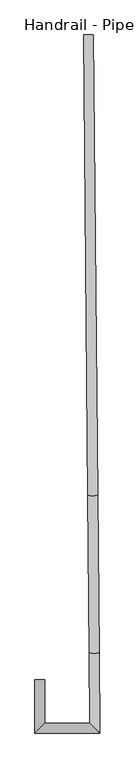
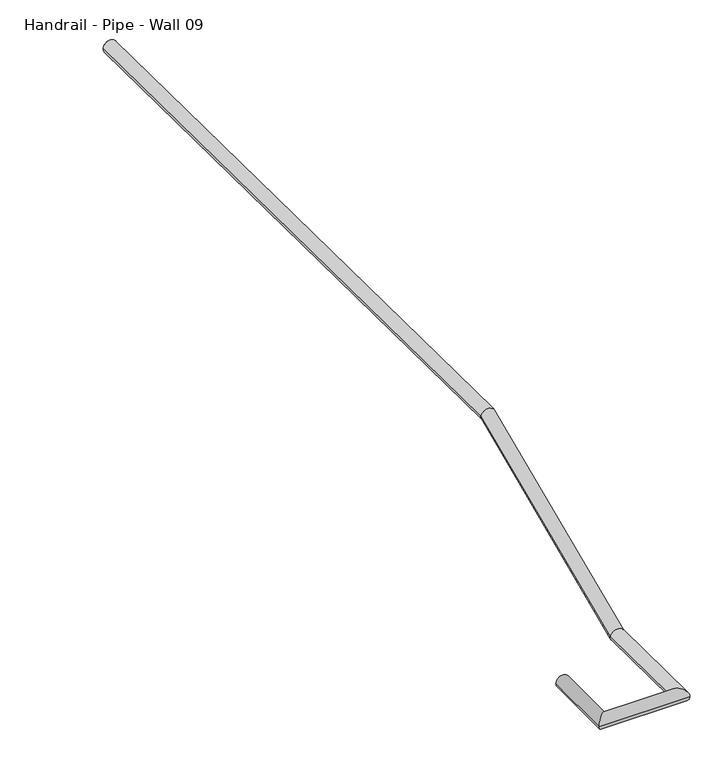
"""IFC4 building model written with IfcOpenShell, lengths in millimetres: railing geometry, Handrail - Pipe - Wall 09."""

from ifc_helpers import new_model, si_unit, frame, origin, place, context, project, spatial, circle_curve, ellipse_curve, source, transform, mapped, element, save
from ifc_brep_helpers import plane_surface, cylinder_surface, advanced_brep


def handrail_pipe_wall_09_4ad49a71(model_context):
    return source(origin(), model_context, "Body", "AdvancedBrep", [
        advanced_brep(
        [(-19379.9877123, 33275.9492063, -10331.45), (-19341.8877123, 33314.0492063, -10331.45), (-19164.8711701, 33314.0492063, -10331.45), (-19126.4253404, 33275.9492063, -10331.45), (-19341.8877123, 33485.4992063, -10331.45), (-19379.9877123, 33485.4992063, -10331.45), (-19167.3727526, 33590.8932994, -10331.45), (-19129.2743079, 33591.2375596, -10331.45), (-19172.9382925, 34206.8181546, -10052.05), (-19134.8398479, 34207.1624148, -10052.05), (-19189.197275, 36006.1604632, -10052.05), (-19151.0988303, 36006.5047234, -10052.05)],
        [
            (0, 1, ellipse_curve(frame((-19360.9377123, 33294.9992063, -10331.45), z_axis=(0.7071067811865475, -0.7071067811865475, 0.0), x_axis=(-0.7071067811865476, -0.7071067811865474, 0.0)), 26.9407684, 19.05)),
            (1, 2),
            (2, 3, ellipse_curve(frame((-19145.6482552, 33294.9992063, -10331.45), z_axis=(-0.7039049293732222, -0.710294199894719, 0.0), x_axis=(-0.710294199894719, 0.7039049293732222, 0.0)), 27.0633138, 19.05)),
            (3, 0),
            (1, 0, ellipse_curve(frame((-19360.9377123, 33294.9992063, -10331.45), z_axis=(0.7071067811865475, -0.7071067811865475, 0.0), x_axis=(-0.7071067811865476, -0.7071067811865474, 0.0)), 26.9407684, 19.05)),
            (3, 2, ellipse_curve(frame((-19145.6482552, 33294.9992063, -10331.45), z_axis=(-0.7039049293732222, -0.710294199894719, 0.0), x_axis=(-0.710294199894719, 0.7039049293732222, 0.0)), 27.0633138, 19.05)),
            (4, 5, circle_curve(frame((-19360.9377123, 33485.4992063, -10331.45), z_axis=(0.0, 1.0, 0.0), x_axis=(-1.0, 0.0, 0.0)), 19.05)),
            (5, 4, circle_curve(frame((-19360.9377123, 33485.4992063, -10331.45), z_axis=(0.0, 1.0, 0.0), x_axis=(-1.0, 0.0, 0.0)), 19.05)),
            (4, 1),
            (0, 5),
            (2, 6),
            (6, 7, ellipse_curve(frame((-19148.3235303, 33591.0654295, -10331.45), z_axis=(0.008831646985136221, -0.9773770336441583, -0.21131998513267974), x_axis=(0.0019094241604417758, -0.21131135846388224, 0.977416934518491)), 19.4901473, 19.05)),
            (7, 3),
            (7, 6, ellipse_curve(frame((-19148.3235303, 33591.0654295, -10331.45), z_axis=(0.008831646985136221, -0.9773770336441583, -0.21131998513267974), x_axis=(0.0019094241604417758, -0.21131135846388224, 0.977416934518491)), 19.4901473, 19.05)),
            (6, 8),
            (8, 9, ellipse_curve(frame((-19153.8890702, 34206.9902847, -10052.05), z_axis=(0.008831646985135883, -0.9773770336441582, -0.21131998513267963), x_axis=(-0.0019094241604402076, 0.21131135846388222, -0.977416934518491)), 19.4901473, 19.05)),
            (9, 7),
            (9, 8, ellipse_curve(frame((-19153.8890702, 34206.9902847, -10052.05), z_axis=(0.008831646985135883, -0.9773770336441582, -0.21131998513267963), x_axis=(-0.0019094241604402076, 0.21131135846388222, -0.977416934518491)), 19.4901473, 19.05)),
            (10, 11, circle_curve(frame((-19170.1480527, 36006.3325933, -10052.05), z_axis=(-0.009035700808157195, 0.9999591772222033, 0.0), x_axis=(0.9999591772222033, 0.009035700808157195, 0.0)), 19.05)),
            (11, 10, circle_curve(frame((-19170.1480527, 36006.3325933, -10052.05), z_axis=(-0.009035700808157195, 0.9999591772222033, 0.0), x_axis=(0.9999591772222033, 0.009035700808157195, 0.0)), 19.05)),
            (8, 10),
            (11, 9),
        ],
        [
            cylinder_surface(frame((-19360.9377123, 33294.9992063, -10331.45), z_axis=(-1.0, 0.0, 0.0), x_axis=(0.0, -1.0, 0.0)), 19.05),
            plane_surface(frame((-19360.9377123, 33485.4992063, -10312.4), z_axis=(0.0, 1.0, 0.0), x_axis=(0.0, 0.0, -1.0))),
            cylinder_surface(frame((-19360.9377123, 33485.4992063, -10331.45), z_axis=(0.0, 1.0, 0.0), x_axis=(-1.0, 0.0, 0.0)), 19.05),
            cylinder_surface(frame((-19145.6482552, 33294.9992063, -10331.45), z_axis=(0.009035700808157854, -0.9999591772222032, 0.0), x_axis=(0.9999591772222032, 0.009035700808157854, 0.0)), 19.05),
            cylinder_surface(frame((-19148.3574215, 33594.8160873, -10329.7486012), z_axis=(0.008228701837764783, -0.9106505509642951, -0.4130954641417538), x_axis=(0.9999591772222032, 0.009035700808158475, 0.0)), 19.05),
            plane_surface(frame((-19170.1480527, 36006.3325933, -10033.0), z_axis=(-0.009035700808157163, 0.9999591772222032, 0.0), x_axis=(0.9999591772222032, 0.009035700808157163, 0.0))),
            cylinder_surface(frame((-19153.8518552, 34202.8717952, -10052.05), z_axis=(0.009035700808157195, -0.9999591772222033, 0.0), x_axis=(0.9999591772222033, 0.009035700808157195, 0.0)), 19.05),
        ],
        [
            (0, [[1, 2, 3, 4]]),
            (0, [[5, -4, 6, -2]]),
            (1, [[7, 8]]),
            (2, [[-7, 9, -1, 10]]),
            (2, [[-8, -10, -5, -9]]),
            (3, [[-3, 11, 12, 13]]),
            (3, [[-6, -13, 14, -11]]),
            (4, [[-12, 15, 16, 17]]),
            (4, [[-14, -17, 18, -15]]),
            (5, [[19, 20]]),
            (6, [[-16, 21, -20, 22]]),
            (6, [[-18, -22, -19, -21]]),
        ],
    ),
    ])


if __name__ == "__main__":
    model = new_model("IFC4")
    model_context = context("Model", 3, world=origin())
    ifc_project = project(units=[si_unit("LENGTHUNIT", "METRE", prefix="MILLI")], contexts=[model_context])
    site = spatial("IfcSite", under=ifc_project)
    building = spatial("IfcBuilding", under=site)
    placement = place(None, origin())
    handrail_pipe_wall_09_shape = handrail_pipe_wall_09_4ad49a71(model_context)
    element("IfcRailing", 1, ObjectType="Handrail - Pipe - Wall 09", at=placement, inside=building, context=model_context, shape_type="MappedRepresentation", body=[
        mapped(handrail_pipe_wall_09_shape, transform((0.0, 0.0, 0.0), x_axis=(1.0, 0.0, 0.0), y_axis=(0.0, 1.0, 0.0), z_axis=(0.0, 0.0, 1.0))),
    ])
    save(model, "model.ifc")
